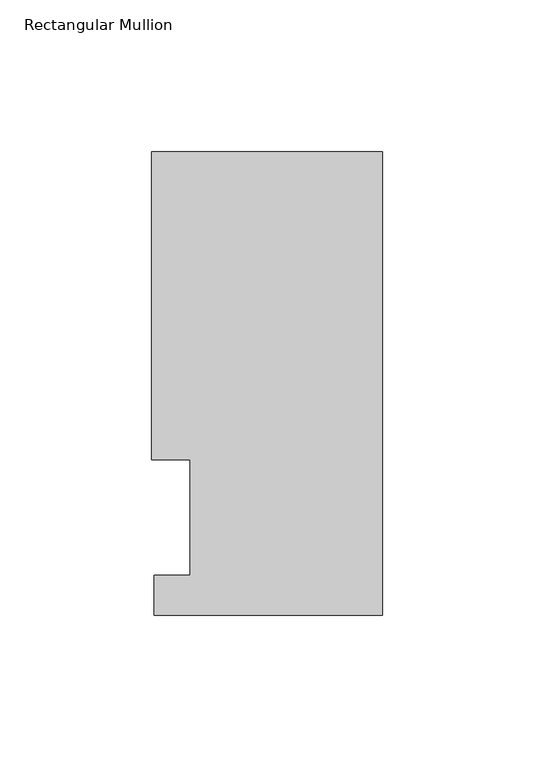
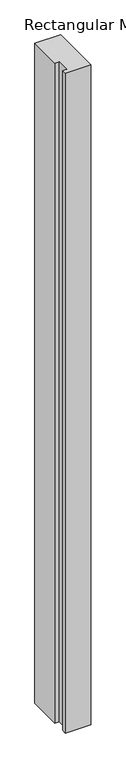
"""IFC4 building model written with IfcOpenShell, lengths in millimetres: member geometry, Rectangular Mullion."""

from ifc_helpers import new_model, si_unit, frame, origin, place, context, project, spatial, polyline, outline, extrude, source, transform, mapped, element, save


def rectangular_mullion_3a904b22(model_context):
    return source(origin(), model_context, "Body", "SweptSolid", [
        extrude(outline(polyline([(-76.2, 152.8960938), (0.0, 152.8960938), (0.0, 0.0084138), (-75.4126006, 0.0084138), (-75.4126006, 13.1960937), (-63.4999994, 13.1960937), (-63.4999994, 51.2960938), (-76.2, 51.2960938), (-76.2, 152.8960938)])), frame((0.0, 0.0, -2057.4), z_axis=(0.0, 0.0, 1.0), x_axis=(1.0, 0.0, 0.0)), (0.0, 0.0, 1.0), 2057.4),
    ])


if __name__ == "__main__":
    model = new_model("IFC4")
    model_context = context("Model", 3, world=origin())
    ifc_project = project(units=[si_unit("LENGTHUNIT", "METRE", prefix="MILLI")], contexts=[model_context])
    site = spatial("IfcSite", under=ifc_project)
    building = spatial("IfcBuilding", under=site)
    placement = place(None, origin())
    rectangular_mullion_shape = rectangular_mullion_3a904b22(model_context)
    element("IfcMember", 1, ObjectType="Rectangular Mullion", at=placement, inside=building, context=model_context, shape_type="MappedRepresentation", body=[
        mapped(rectangular_mullion_shape, transform((0.0, 0.0, 0.0), x_axis=(1.0, 0.0, 0.0), y_axis=(0.0, 1.0, 0.0), z_axis=(0.0, 0.0, 1.0))),
    ])
    save(model, "model.ifc")
